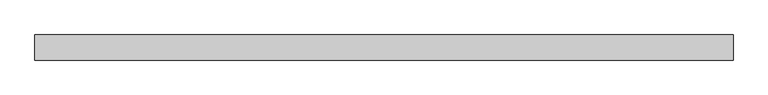
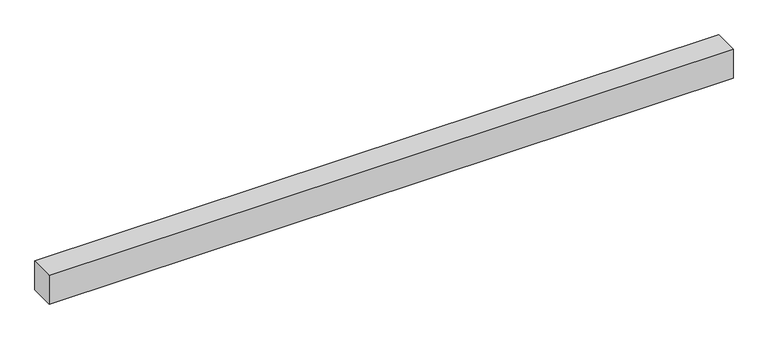
"""IFC4 building model written with IfcOpenShell, lengths in millimetres: proxy geometry."""

from ifc_helpers import new_model, si_unit, frame, origin, place, context, project, spatial, polyline, outline, extrude, source, transform, mapped, element, save


def generic_models_7f8abe86(model_context):
    return source(origin(), model_context, "Body", "SweptSolid", [
        extrude(outline(polyline([(40.0, 0.0), (-40.0, 0.0), (-40.0, 2225.9109088), (40.0, 2225.9109088), (40.0, 0.0)])), frame((2225.9109088, 0.0, 0.0), z_axis=(0.0, -1.9783474858313244e-12, 1.0), x_axis=(0.0, 1.0, 1.9783474858313244e-12)), (0.0, 0.0, 1.0), 100.0),
    ])


if __name__ == "__main__":
    model = new_model("IFC4")
    model_context = context("Model", 3, world=origin())
    ifc_project = project(units=[si_unit("LENGTHUNIT", "METRE", prefix="MILLI")], contexts=[model_context])
    site = spatial("IfcSite", under=ifc_project)
    building = spatial("IfcBuilding", under=site)
    placement = place(None, origin())
    generic_models_shape = generic_models_7f8abe86(model_context)
    element("IfcBuildingElementProxy", 1, Name="Generic Models", at=placement, inside=building, context=model_context, shape_type="MappedRepresentation", body=[
        mapped(generic_models_shape, transform((0.0, 0.0, 0.0), x_axis=(1.0, 0.0, 0.0), y_axis=(0.0, 1.0, 0.0), z_axis=(0.0, 0.0, 1.0))),
    ])
    save(model, "model.ifc")
